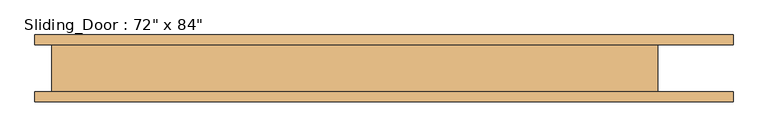
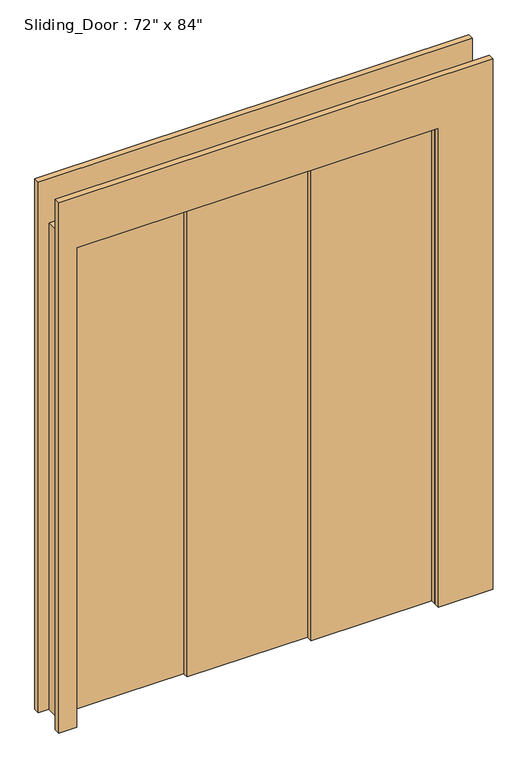
"""IFC4 building model written with IfcOpenShell, lengths in millimetres: door geometry."""

from ifc_helpers import new_model, si_unit, frame, origin, origin_with_axes, place, context, project, spatial, polyline, outline, extrude, source, transform, mapped, element, save


def door_7068171d(model_context):
    return source(origin(), model_context, "Body", "SweptSolid", [
        extrude(outline(polyline([(762.0, -38.1), (254.0, -38.1), (254.0, -12.7), (762.0, -12.7), (762.0, -38.1)])), origin_with_axes(), (0.0, 0.0, 1.0), 2133.6),
        extrude(outline(polyline([(254.0, -12.7), (-254.0, -12.7), (-254.0, 12.7), (254.0, 12.7), (254.0, -12.7)])), origin_with_axes(), (0.0, 0.0, 1.0), 2133.6),
        extrude(outline(polyline([(-254.0, 12.7), (-762.0, 12.7), (-762.0, 38.1), (-254.0, 38.1), (-254.0, 12.7)])), origin_with_axes(), (0.0, 0.0, 1.0), 2133.6),
        extrude(outline(polyline([(2362.3541464, -838.2), (0.0, -838.2), (0.0, -762.0), (2133.6, -762.0), (2133.6, 762.0), (0.0, 762.0), (0.0, 990.7541464), (2362.3541464, 990.7541464), (2362.3541464, -838.2)])), frame((0.0, 61.9125, 0.0), z_axis=(0.0, 1.0, 0.0), x_axis=(0.0, 0.0, 1.0)), (0.0, 0.0, 1.0), 25.4),
        extrude(outline(polyline([(2362.3541464, 990.7541464), (2362.3541464, -838.2), (0.0, -838.2), (0.0, -762.0), (2133.6, -762.0), (2133.6, 762.0), (0.0, 762.0), (0.0, 990.7541464), (2362.3541464, 990.7541464)])), frame((0.0, -87.3125, 0.0), z_axis=(0.0, 1.0, 0.0), x_axis=(0.0, 0.0, 1.0)), (0.0, 0.0, 1.0), 25.4),
        extrude(outline(polyline([(0.0, -793.75), (0.0, -762.0), (2133.6, -762.0), (2133.6, 762.0), (0.0, 762.0), (0.0, 793.75), (2165.35, 793.75), (2165.35, -793.75), (0.0, -793.75)])), frame((0.0, -61.9125, 0.0), z_axis=(0.0, 1.0, 0.0), x_axis=(0.0, 0.0, 1.0)), (0.0, 0.0, 1.0), 123.825),
    ])


if __name__ == "__main__":
    model = new_model("IFC4")
    model_context = context("Model", 3, world=origin())
    ifc_project = project(units=[si_unit("LENGTHUNIT", "METRE", prefix="MILLI")], contexts=[model_context])
    site = spatial("IfcSite", under=ifc_project)
    building = spatial("IfcBuilding", under=site)
    placement = place(None, origin())
    door_shape = door_7068171d(model_context)
    element("IfcDoor", 1, ObjectType="Sliding_Door : 72\" x 84\"", at=placement, inside=building, context=model_context, shape_type="MappedRepresentation", body=[
        mapped(door_shape, transform((0.0, 0.0, 0.0), x_axis=(1.0, 0.0, 0.0), y_axis=(0.0, 1.0, 0.0), z_axis=(0.0, 0.0, 1.0))),
    ])
    save(model, "model.ifc")
